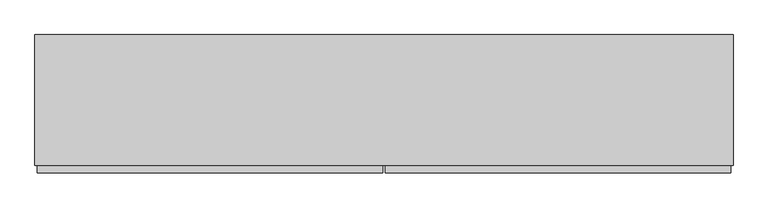
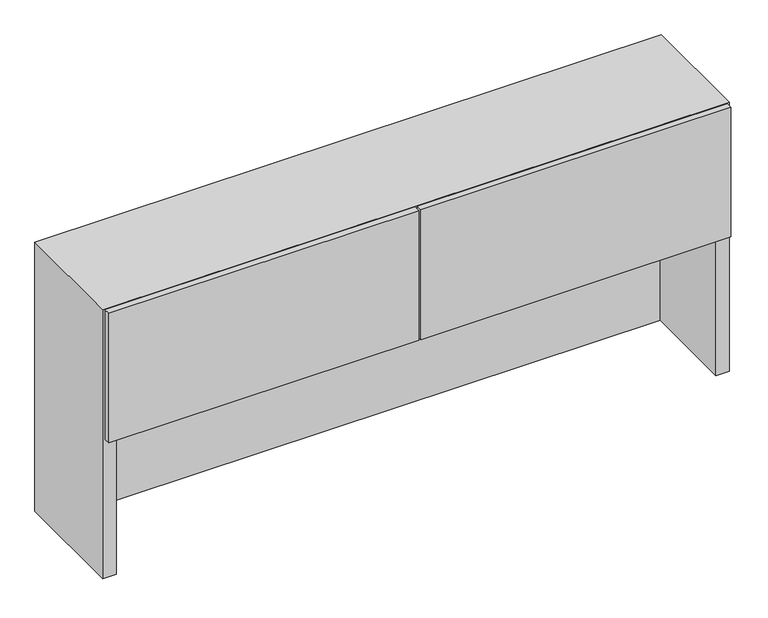
"""IFC4 building model written with IfcOpenShell, lengths in millimetres: furniture geometry."""

from ifc_helpers import new_model, si_unit, frame, origin, place, context, project, spatial, polyline, outline, extrude, faceted_brep, source, transform, mapped, element, save


def furniture_ee936007(model_context):
    return source(origin(), model_context, "Body", "SolidModel", [
        extrude(outline(polyline([(1073.15, -361.95), (168.275, -361.95), (168.275, -342.9), (1073.15, -342.9), (1073.15, -361.95)])), frame((0.0, 0.0, 1165.225), z_axis=(0.0, 0.0, 1.0), x_axis=(1.0, 0.0, 0.0)), (0.0, 0.0, 1.0), 400.05),
        extrude(outline(polyline([(161.925, -361.95), (-742.95, -361.95), (-742.95, -342.9), (161.925, -342.9), (161.925, -361.95)])), frame((0.0, 0.0, 1165.225), z_axis=(0.0, 0.0, 1.0), x_axis=(1.0, 0.0, 0.0)), (0.0, 0.0, 1.0), 400.05),
        faceted_brep([(-749.3, 0.0, 1566.8625), (-749.3, -342.9, 1566.8625), (1079.5, -342.9, 1566.8625), (1079.5, 0.0, 1566.8625), (-710.40625, -342.9, 736.6), (-749.3, -342.9, 736.6), (-749.3, 0.0, 736.6), (1079.5, 0.0, 736.6), (1079.5, -342.9, 736.6), (1040.60625, -342.9, 736.6), (1040.60625, -60.325, 736.6), (-710.40625, -60.325, 736.6), (-710.40625, -342.9, 1554.1625), (1040.60625, -342.9, 1554.1625), (-710.40625, -60.325, 1174.75), (-710.40625, -31.75, 1174.75), (-710.40625, -31.75, 1554.1625), (1040.60625, -31.75, 1554.1625), (1040.60625, -31.75, 1174.75), (1040.60625, -60.325, 1174.75)], [[[0, 1, 2, 3]], [[4, 5, 6, 7, 8, 9, 10, 11]], [[6, 0, 3, 7]], [[1, 0, 6, 5]], [[2, 1, 5, 4, 12, 13, 9, 8]], [[4, 11, 14, 15, 16, 12]], [[10, 9, 13, 17, 18, 19]], [[3, 2, 8, 7]], [[15, 18, 17, 16]], [[13, 12, 16, 17]], [[18, 15, 14, 19]], [[11, 10, 19, 14]]]),
        extrude(outline(polyline([(-331.7875, 1223.9625), (-36.5125, 1223.9625), (-36.5125, 1174.75), (-53.975, 1174.75), (-53.975, 1219.2), (-298.45, 1219.2), (-298.45, 1174.75), (-317.5, 1174.75), (-317.5, 1201.7158998), (-331.7875, 1201.7158998), (-331.7875, 1223.9625)])), frame((-710.40625, 0.0, 0.0), z_axis=(1.0, 0.0, 0.0), x_axis=(0.0, 1.0, 0.0)), (0.0, 0.0, 1.0), 1751.0125),
        extrude(outline(polyline([(-317.5, 1201.7158998), (-317.5, 1174.75), (-338.1375, 1174.75), (-338.1375, 1554.1625), (-331.7875, 1554.1625), (-331.7875, 1201.7158998), (-317.5, 1201.7158998)])), frame((158.75, 0.0, 0.0), z_axis=(1.0, 0.0, 0.0), x_axis=(0.0, 1.0, 0.0)), (0.0, 0.0, 1.0), 12.7),
    ])


if __name__ == "__main__":
    model = new_model("IFC4")
    model_context = context("Model", 3, world=origin())
    ifc_project = project(units=[si_unit("LENGTHUNIT", "METRE", prefix="MILLI")], contexts=[model_context])
    site = spatial("IfcSite", under=ifc_project)
    building = spatial("IfcBuilding", under=site)
    placement = place(None, origin())
    furniture_shape = furniture_ee936007(model_context)
    element("IfcFurniture", 1, at=placement, inside=building, context=model_context, shape_type="MappedRepresentation", body=[
        mapped(furniture_shape, transform((0.0, 0.0, 0.0), x_axis=(1.0, 0.0, 0.0), y_axis=(0.0, 1.0, 0.0), z_axis=(0.0, 0.0, 1.0))),
    ])
    save(model, "model.ifc")
